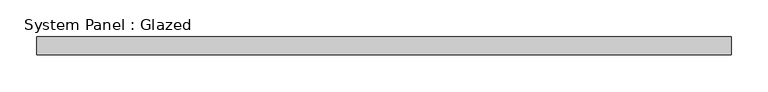
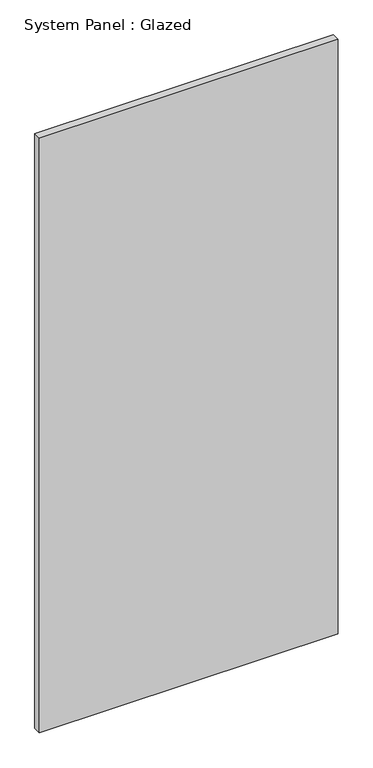
"""IFC4 building model written with IfcOpenShell, lengths in millimetres: plate geometry, System Panel : Glazed."""

from ifc_helpers import new_model, si_unit, origin, origin_with_axes, place, context, project, spatial, polyline, outline, extrude, source, transform, mapped, element, save


def system_panel_glazed_a842c2ab(model_context):
    return source(origin(), model_context, "Body", "SweptSolid", [
        extrude(outline(polyline([(475.0, 24.5), (-475.0, 24.5), (-475.0, 49.5), (475.0, 49.5), (475.0, 24.5)])), origin_with_axes(), (0.0, 0.0, 1.0), 2000.0),
    ])


if __name__ == "__main__":
    model = new_model("IFC4")
    model_context = context("Model", 3, world=origin())
    ifc_project = project(units=[si_unit("LENGTHUNIT", "METRE", prefix="MILLI")], contexts=[model_context])
    site = spatial("IfcSite", under=ifc_project)
    building = spatial("IfcBuilding", under=site)
    placement = place(None, origin())
    system_panel_glazed_shape = system_panel_glazed_a842c2ab(model_context)
    element("IfcPlate", 1, ObjectType="System Panel : Glazed", at=placement, inside=building, context=model_context, shape_type="MappedRepresentation", body=[
        mapped(system_panel_glazed_shape, transform((0.0, 0.0, 0.0), x_axis=(1.0, 0.0, 0.0), y_axis=(0.0, 1.0, 0.0), z_axis=(0.0, 0.0, 1.0))),
    ])
    save(model, "model.ifc")
